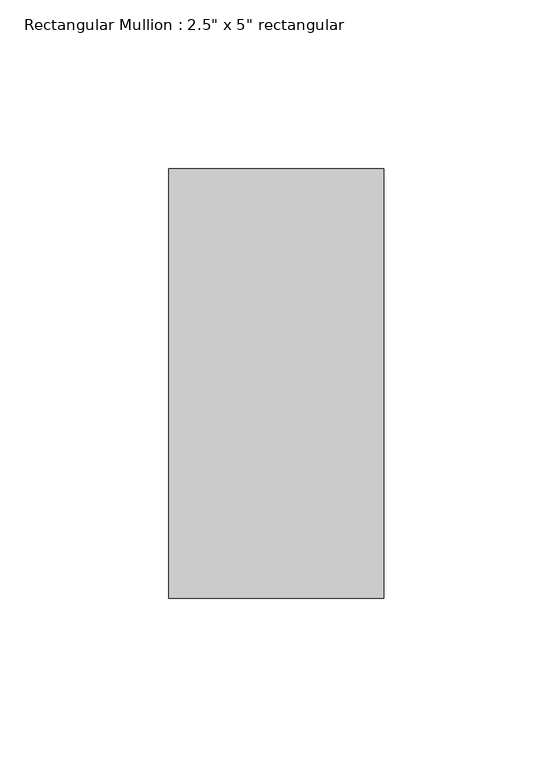
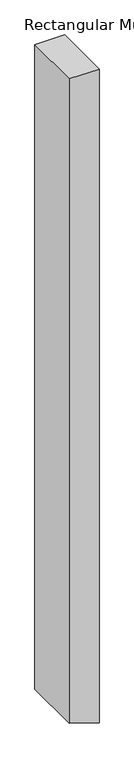
"""IFC4 building model written with IfcOpenShell, lengths in millimetres: member geometry."""

import ifcopenshell
import ifcopenshell.guid

model = None  # the IFC model being written
_history = None  # IfcOwnerHistory: only IFC2X3 demands one
_inside = {}  # id of a spatial element -> (the spatial element, [elements in it])
_under = {}  # id of a project, library or spatial element -> (it, [spatial elements below it])
_declared = {}  # id of a project -> (the project, [libraries it declares])
_typed = {}  # id of a type object -> (the type object, [elements of that type])
_made_of = {}  # id of a material, layer set ... -> (it, [elements and type objects made of it])


def new_model(schema):
    """Start an empty IFC model of exactly this schema.

    Asked for "IFC4X3", IfcOpenShell would pick the latest addendum, in which some entities
    have other attributes; the version numbers below select the first issue.
    IFC2X3 requires an IfcOwnerHistory on every rooted entity: one is made here for all.
    """
    global model, _history
    if schema == "IFC4X3":
        model = ifcopenshell.file(schema_version=(4, 3, 0, 0))
    else:
        model = ifcopenshell.file(schema=schema)
    _inside.clear()
    _under.clear()
    _declared.clear()
    _typed.clear()
    _made_of.clear()
    _history = None
    if model.schema == "IFC2X3":
        org = make("IfcOrganization", Name="unknown")
        user = make(
            "IfcPersonAndOrganization",
            ThePerson=make("IfcPerson", FamilyName="unknown"),
            TheOrganization=org,
        )
        app = make(
            "IfcApplication",
            ApplicationDeveloper=org,
            Version="unknown",
            ApplicationFullName="unknown",
            ApplicationIdentifier="unknown",
        )
        _history = make(
            "IfcOwnerHistory",
            OwningUser=user,
            OwningApplication=app,
            ChangeAction="ADDED",
            CreationDate=0,
        )
    return model


def make(cls, **values):
    """One entity of the class cls with the attributes given. An attribute that is None is left unset."""
    return model.create_entity(
        cls, **{name: value for name, value in values.items() if value is not None}
    )


def rooted(cls, **values):
    """An entity with a GlobalId (a new one), such as an element, a storey or a relation."""
    return make(cls, GlobalId=ifcopenshell.guid.new(), OwnerHistory=_history, **values)


def si_unit(unit_type, name, prefix=None):
    """IfcSIUnit, for example si_unit("LENGTHUNIT", "METRE", prefix="MILLI")."""
    return make("IfcSIUnit", UnitType=unit_type, Prefix=prefix, Name=name)


def assignment(units):
    """IfcUnitAssignment: the units of a project."""
    return None if units is None else make("IfcUnitAssignment", Units=units)


def point(xyz):
    """IfcCartesianPoint."""
    return None if xyz is None else make("IfcCartesianPoint", Coordinates=xyz)


def direction(xyz):
    """IfcDirection."""
    return None if xyz is None else make("IfcDirection", DirectionRatios=xyz)


def frame(location, z_axis=None, x_axis=None):
    """IfcAxis2Placement3D, a coordinate frame: its origin and axes. An axis left out is left unset."""
    return make(
        "IfcAxis2Placement3D",
        Location=point(location),
        Axis=direction(z_axis),
        RefDirection=direction(x_axis),
    )


def origin():
    """The frame at (0, 0, 0) with its axes left unset."""
    return frame((0.0, 0.0, 0.0))


def place(relative_to, where):
    """IfcLocalPlacement: puts the frame where relative to a parent placement (None: the world)."""
    return make(
        "IfcLocalPlacement", PlacementRelTo=relative_to, RelativePlacement=where
    )


def context(
    kind, dimensions, precision=None, world=None, true_north=None, identifier=None
):
    """IfcGeometricRepresentationContext, for example the 3D "Model" context."""
    return make(
        "IfcGeometricRepresentationContext",
        ContextIdentifier=identifier,
        ContextType=kind,
        CoordinateSpaceDimension=dimensions,
        Precision=precision,
        WorldCoordinateSystem=world,
        TrueNorth=true_north,
    )


def project(units=None, contexts=None):
    """IfcProject with its units and contexts."""
    return rooted(
        "IfcProject",
        Name="project",
        RepresentationContexts=contexts,
        UnitsInContext=assignment(units),
    )


def spatial(cls, under=None, at=None, **own):
    """A site, building, storey or space (cls), placed at a placement, below another one or the project."""
    s = rooted(cls, ObjectPlacement=at, **own)
    if under is not None:
        _under.setdefault(under.id(), (under, []))[1].append(s)
    return s


def polyline(points):
    """IfcPolyline through the points."""
    return make("IfcPolyline", Points=[point(p) for p in points])


def outline(outer, holes=None, kind="AREA"):
    """IfcArbitraryClosedProfileDef: a profile drawn as a closed curve; with holes, ...WithVoids."""
    if holes is None:
        return make("IfcArbitraryClosedProfileDef", ProfileType=kind, OuterCurve=outer)
    return make(
        "IfcArbitraryProfileDefWithVoids",
        ProfileType=kind,
        OuterCurve=outer,
        InnerCurves=holes,
    )


def extrude(swept, where, along, depth):
    """IfcExtrudedAreaSolid: the profile swept, set in the frame where, extruded along a direction by depth."""
    return make(
        "IfcExtrudedAreaSolid",
        SweptArea=swept,
        Position=where,
        ExtrudedDirection=direction(along),
        Depth=depth,
    )


def shape(context_of_items, identifier, shape_type, items):
    """IfcShapeRepresentation: the items that make up one representation, for example the "Body"."""
    return make(
        "IfcShapeRepresentation",
        ContextOfItems=context_of_items,
        RepresentationIdentifier=identifier,
        RepresentationType=shape_type,
        Items=items,
    )


def source(mapping_origin, context_of_items, identifier, shape_type, items):
    """IfcRepresentationMap: a shape defined once, which mapped items show again and again."""
    return make(
        "IfcRepresentationMap",
        MappingOrigin=mapping_origin,
        MappedRepresentation=shape(context_of_items, identifier, shape_type, items),
    )


def transform(
    local_origin,
    x_axis=None,
    y_axis=None,
    z_axis=None,
    scale=None,
    scale2=None,
    scale3=None,
    uniform=True,
):
    """IfcCartesianTransformationOperator3D, or its non-uniform kind. x_axis, y_axis, z_axis: its Axis1, 2, 3."""
    if uniform:
        return make(
            "IfcCartesianTransformationOperator3D",
            Axis1=direction(x_axis),
            Axis2=direction(y_axis),
            LocalOrigin=point(local_origin),
            Scale=scale,
            Axis3=direction(z_axis),
        )
    return make(
        "IfcCartesianTransformationOperator3DnonUniform",
        Axis1=direction(x_axis),
        Axis2=direction(y_axis),
        LocalOrigin=point(local_origin),
        Scale=scale,
        Axis3=direction(z_axis),
        Scale2=scale2,
        Scale3=scale3,
    )


def mapped(mapping_source, mapping_target):
    """IfcMappedItem: shows the shape of a source again, moved by a transform."""
    return make(
        "IfcMappedItem", MappingSource=mapping_source, MappingTarget=mapping_target
    )


def made_of(thing, what):
    """Note that an element or type object is made of a material, layer set ...; save() writes the relation."""
    if what is not None:
        _made_of.setdefault(what.id(), (what, []))[1].append(thing)
    return thing


def element(
    cls,
    number,
    at=None,
    inside=None,
    cuts=None,
    type_object=None,
    material=None,
    context=None,
    identifier="Body",
    shape_type=None,
    held_by="IfcProductDefinitionShape",
    body=None,
    shapes=None,
    **own,
):
    """One element of the class cls, such as IfcWall. Its Tag is "e" and its number.

    at: its placement. inside: the storey or other place that contains it. cuts: it is an
    opening in that element (IfcRelVoidsElement). A single representation is given by context,
    identifier, shape_type and body (its items); several are given by shapes. held_by: the class
    of the entity that holds the representations. save() writes the other relations.
    """
    e = rooted(cls, Tag="e%d" % number, ObjectPlacement=at, **own)
    if body is not None:
        shapes = [shape(context, identifier, shape_type, body)]
    if shapes is not None:
        e.Representation = make(held_by, Representations=shapes)
    if inside is not None:
        _inside.setdefault(inside.id(), (inside, []))[1].append(e)
    if cuts is not None:
        rooted(
            "IfcRelVoidsElement", RelatingBuildingElement=cuts, RelatedOpeningElement=e
        )
    if type_object is not None:
        _typed.setdefault(type_object.id(), (type_object, []))[1].append(e)
    return made_of(e, material)


def aggregate(whole, parts):
    """IfcRelAggregates: a whole, such as a stair, and the parts it consists of."""
    return rooted("IfcRelAggregates", RelatingObject=whole, RelatedObjects=parts)


def save(model, path):
    """Write the relations noted so far, then the file.

    IfcRelAggregates (storeys below a building ...), IfcRelContainedInSpatialStructure (elements
    in a storey), IfcRelDefinesByType, IfcRelAssociatesMaterial and IfcRelDeclares: one each for
    every whole, place, type object, material and project.
    """
    for whole, parts in _under.values():
        aggregate(whole, parts)
    for where, things in _inside.values():
        rooted(
            "IfcRelContainedInSpatialStructure",
            RelatedElements=things,
            RelatingStructure=where,
        )
    for kind, things in _typed.values():
        rooted("IfcRelDefinesByType", RelatedObjects=things, RelatingType=kind)
    for what, things in _made_of.values():
        rooted("IfcRelAssociatesMaterial", RelatedObjects=things, RelatingMaterial=what)
    for by, libraries in _declared.values():
        rooted("IfcRelDeclares", RelatingContext=by, RelatedDefinitions=libraries)
    model.write(path)


def member_7d6ac6a5(model_context):
    return source(origin(), model_context, "Body", "SweptSolid", [
        extrude(outline(polyline([(0.0, 31.75), (0.0, -31.75), (-1454.2949875, -31.75), (-1471.1903564, 19.7828002), (-1475.1138819, 31.75), (0.0, 31.75)])), frame((0.0, -63.5, 0.0), z_axis=(0.0, 1.0, 0.0), x_axis=(0.0, 0.0, 1.0)), (0.0, 0.0, 1.0), 127.0),
    ])


if __name__ == "__main__":
    model = new_model("IFC4")
    model_context = context("Model", 3, world=origin())
    ifc_project = project(units=[si_unit("LENGTHUNIT", "METRE", prefix="MILLI")], contexts=[model_context])
    site = spatial("IfcSite", under=ifc_project)
    building = spatial("IfcBuilding", under=site)
    placement = place(None, origin())
    member_shape = member_7d6ac6a5(model_context)
    element("IfcMember", 1, ObjectType="Rectangular Mullion : 2.5\" x 5\" rectangular", at=placement, inside=building, context=model_context, shape_type="MappedRepresentation", body=[
        mapped(member_shape, transform((0.0, 0.0, 0.0), x_axis=(1.0, 0.0, 0.0), y_axis=(0.0, 1.0, 0.0), z_axis=(0.0, 0.0, 1.0))),
    ])
    save(model, "model.ifc")
